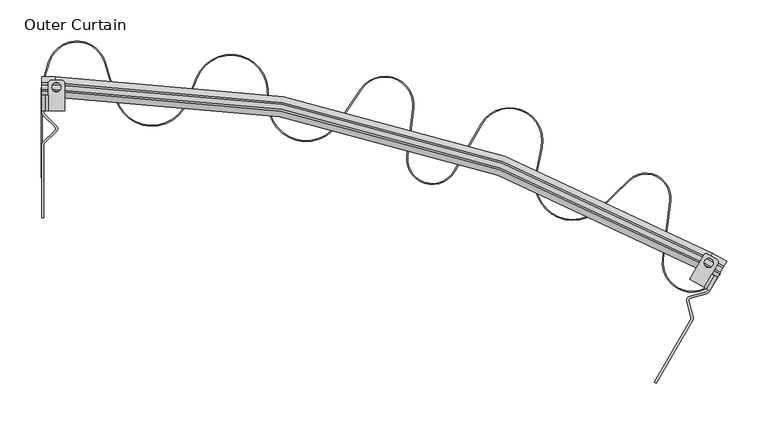
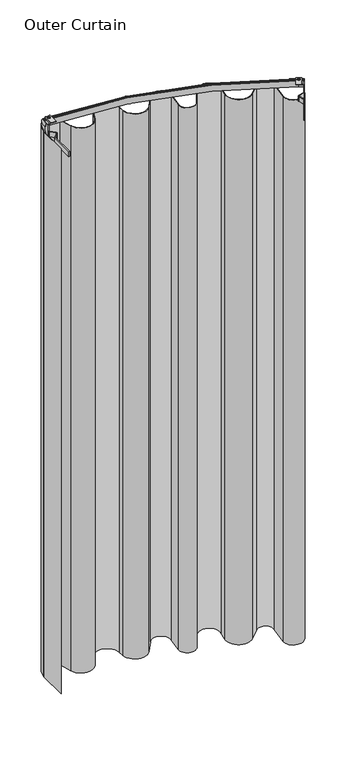
"""IFC4 building model written with IfcOpenShell, lengths in millimetres: furniture geometry, Outer Curtain."""

from ifc_helpers import new_model, si_unit, point, frame, frame_2d, origin, origin_with_axes, place, context, project, spatial, polyline, circle_curve, ellipse_curve, trimmed, segment, composite_curve, outline, extrude, source, transform, mapped, element, save
from ifc_brep_helpers import plane_surface, cylinder_surface, revolved_surface, advanced_brep


def outer_curtain_1a0a207d(model_context):
    return source(origin(), model_context, "Body", "SolidModel", [
        extrude(outline(composite_curve([segment(trimmed(circle_curve(frame_2d((42.5957984, 467.0599801)), 35.0), [point((76.1040809, 477.1691346))], [point((9.0875159, 477.1691346))], True, "CARTESIAN"), True, "CONTINUOUS"), segment(polyline([(9.0875159, 477.1691346), (1.3097895, 451.3887139)]), True, "CONTINUOUS"), segment(trimmed(circle_curve(frame_2d((19.5, 445.9008872)), 19.0), [point((1.3097895, 451.3887139))], [point((0.5, 445.9008872))], True, "CARTESIAN"), True, "CONTINUOUS"), segment(polyline([(0.5, 445.9008872), (0.5, 337.8741988), (-0.5, 337.8741988), (-0.5, 445.9008872)]), True, "CONTINUOUS"), segment(trimmed(circle_curve(frame_2d((19.5, 445.9008872)), 20.0), [point((-0.5, 445.9008872))], [point((0.35241, 451.6775469))], False, "CARTESIAN"), True, "CONTINUOUS"), segment(polyline([(0.35241, 451.6775469), (8.1301364, 477.4579676)]), True, "CONTINUOUS"), segment(trimmed(circle_curve(frame_2d((42.5957984, 467.0599801)), 36.0), [point((8.1301364, 477.4579676))], [point((77.0614604, 477.4579676))], False, "CARTESIAN"), True, "CONTINUOUS"), segment(polyline([(77.0614604, 477.4579676), (90.4160555, 433.1921939)]), True, "CONTINUOUS"), segment(trimmed(circle_curve(frame_2d((133.498133, 446.1896783)), 45.0), [point((90.4160555, 433.1921939))], [point((175.2214064, 429.3323816))], True, "CARTESIAN"), True, "CONTINUOUS"), segment(polyline([(175.2214064, 429.3323816), (187.1951251, 458.9683753)]), True, "CONTINUOUS"), segment(trimmed(circle_curve(frame_2d((228.9183986, 442.1110786)), 45.0), [point((187.1951251, 458.9683753))], [point((273.8509021, 444.5748418))], False, "CARTESIAN"), True, "CONTINUOUS"), segment(polyline([(273.8509021, 444.5748418), (274.9175266, 425.1224404)]), True, "CONTINUOUS"), segment(trimmed(circle_curve(frame_2d((319.8500301, 427.5862037)), 45.0), [point((274.9175266, 425.1224404))], [point((357.1272127, 402.3788304))], True, "CARTESIAN"), True, "CONTINUOUS"), segment(polyline([(357.1272127, 402.3788304), (386.1550371, 445.3057749)]), True, "CONTINUOUS"), segment(trimmed(circle_curve(frame_2d((415.1484012, 425.7000401)), 35.0), [point((386.1550371, 445.3057749))], [point((449.882938, 421.3974875))], False, "CARTESIAN"), True, "CONTINUOUS"), segment(polyline([(449.882938, 421.3974875), (442.8274517, 364.4384983)]), True, "CONTINUOUS"), segment(trimmed(circle_curve(frame_2d((472.5999118, 360.7505961)), 30.0), [point((442.8274517, 364.4384983))], [point((498.5806739, 345.7505961))], True, "CARTESIAN"), True, "CONTINUOUS"), segment(polyline([(498.5806739, 345.7505961), (531.439005, 402.662895)]), True, "CONTINUOUS"), segment(trimmed(circle_curve(frame_2d((566.0800211, 382.662895)), 40.0), [point((531.439005, 402.662895))], [point((605.2774923, 374.6905522))], False, "CARTESIAN"), True, "CONTINUOUS"), segment(polyline([(605.2774923, 374.6905522), (598.4586195, 341.1643256)]), True, "CONTINUOUS"), segment(trimmed(circle_curve(frame_2d((642.5557746, 332.1954399)), 45.0), [point((598.4586195, 341.1643256))], [point((673.833081, 299.8422314))], True, "CARTESIAN"), True, "CONTINUOUS"), segment(polyline([(673.833081, 299.8422314), (710.1607908, 334.9618676)]), True, "CONTINUOUS"), segment(trimmed(circle_curve(frame_2d((731.0123285, 313.3930619)), 30.0), [point((710.1607908, 334.9618676))], [point((760.7847885, 309.7051597))], False, "CARTESIAN"), True, "CONTINUOUS"), segment(polyline([(760.7847885, 309.7051597), (752.0934658, 239.5400517)]), True, "CONTINUOUS"), segment(trimmed(circle_curve(frame_2d((786.8280026, 235.2374991)), 35.0), [point((752.0934658, 239.5400517))], [point((817.1388917, 217.7374991))], True, "CARTESIAN"), True, "CONTINUOUS"), segment(polyline([(817.1388917, 217.7374991), (819.7915966, 222.3321188), (820.657622, 221.8321188), (818.0049171, 217.2374991)]), True, "CONTINUOUS"), segment(trimmed(circle_curve(frame_2d((786.8280026, 235.2374991)), 36.0), [point((818.0049171, 217.2374991))], [point((751.1010505, 239.6629818))], False, "CARTESIAN"), True, "CONTINUOUS"), segment(polyline([(751.1010505, 239.6629818), (759.7923732, 309.8280898)]), True, "CONTINUOUS"), segment(trimmed(circle_curve(frame_2d((731.0123285, 313.3930619)), 29.0), [point((759.7923732, 309.8280898))], [point((710.8558421, 334.2429074))], True, "CARTESIAN"), True, "CONTINUOUS"), segment(polyline([(710.8558421, 334.2429074), (674.5281323, 299.1232712)]), True, "CONTINUOUS"), segment(trimmed(circle_curve(frame_2d((642.5557746, 332.1954399)), 46.0), [point((674.5281323, 299.1232712))], [point((597.4786827, 341.3636342))], False, "CARTESIAN"), True, "CONTINUOUS"), segment(polyline([(597.4786827, 341.3636342), (604.2975556, 374.8898607)]), True, "CONTINUOUS"), segment(trimmed(circle_curve(frame_2d((566.0800211, 382.662895)), 39.0), [point((604.2975556, 374.8898607))], [point((532.3050304, 402.162895))], True, "CARTESIAN"), True, "CONTINUOUS"), segment(polyline([(532.3050304, 402.162895), (499.4466993, 345.2505961)]), True, "CONTINUOUS"), segment(trimmed(circle_curve(frame_2d((472.5999118, 360.7505961)), 31.0), [point((499.4466993, 345.2505961))], [point((441.8350364, 364.5614284))], False, "CARTESIAN"), True, "CONTINUOUS"), segment(polyline([(441.8350364, 364.5614284), (448.8905226, 421.5204176)]), True, "CONTINUOUS"), segment(trimmed(circle_curve(frame_2d((415.1484012, 425.7000401)), 34.0), [point((448.8905226, 421.5204176))], [point((386.9834189, 444.745611))], True, "CARTESIAN"), True, "CONTINUOUS"), segment(polyline([(386.9834189, 444.745611), (357.9555945, 401.8186666)]), True, "CONTINUOUS"), segment(trimmed(circle_curve(frame_2d((319.8500301, 427.5862037)), 46.0), [point((357.9555945, 401.8186666))], [point((273.9190266, 425.0676902))], False, "CARTESIAN"), True, "CONTINUOUS"), segment(polyline([(273.9190266, 425.0676902), (272.852402, 444.5200915)]), True, "CONTINUOUS"), segment(trimmed(circle_curve(frame_2d((228.9183986, 442.1110786)), 44.0), [point((272.852402, 444.5200915))], [point((188.122309, 458.5937687))], True, "CARTESIAN"), True, "CONTINUOUS"), segment(polyline([(188.122309, 458.5937687), (176.1485903, 428.957775)]), True, "CONTINUOUS"), segment(trimmed(circle_curve(frame_2d((133.498133, 446.1896783)), 46.0), [point((176.1485903, 428.957775))], [point((89.458676, 432.9033609))], False, "CARTESIAN"), True, "CONTINUOUS"), segment(polyline([(89.458676, 432.9033609), (76.1040809, 477.1691346)]), True, "CONTINUOUS")], self_intersect=False)), origin_with_axes(), (0.0, 0.0, 1.0), 2097.5013525),
        extrude(outline(composite_curve([segment(polyline([(340.8986475, 0.0), (340.8986475, -5.5297915)]), True, "CONTINUOUS"), segment(trimmed(circle_curve(frame_2d((327.6985931, -5.5297915)), 13.2000544), [point((340.8986475, -5.5297915))], [point((327.6985931, -18.7298459))], False, "CARTESIAN"), True, "CONTINUOUS"), segment(polyline([(327.6985931, -18.7298459), (314.449003, -18.7298459)]), True, "CONTINUOUS"), segment(trimmed(circle_curve(frame_2d((306.6253516, -28.3883996)), 12.4296895), [point((314.449003, -18.7298459))], [point((298.6840186, -18.8263699))], True, "CARTESIAN"), True, "CONTINUOUS"), segment(polyline([(298.6840186, -18.8263699), (298.6840186, 0.0), (340.8986475, 0.0)]), True, "CONTINUOUS")], self_intersect=False)), frame((808.1824004, 201.2243016, 2438.4), z_axis=(-0.8660254041587455, 0.49999999935168166, 0.0), x_axis=(0.0, 0.0, -1.0)), (0.0, 0.0, 1.0), 2.45),
        extrude(outline(composite_curve([segment(trimmed(circle_curve(frame_2d((780.5221736, 168.2153832)), 5.0), [point((784.8523006, 165.7153832))], [point((785.3486237, 169.5212849))], True, "CARTESIAN"), True, "CONTINUOUS"), segment(polyline([(785.3486237, 169.5212849), (780.2499341, 188.3654079)]), True, "CONTINUOUS"), segment(trimmed(circle_curve(frame_2d((785.0763843, 189.6713096)), 5.0), [point((780.2499341, 188.3654079))], [point((783.7705027, 194.4977651))], False, "CARTESIAN"), True, "CONTINUOUS"), segment(polyline([(783.7705027, 194.4977651), (803.7503841, 199.9036698)]), True, "CONTINUOUS"), segment(trimmed(circle_curve(frame_2d((803.0974433, 202.3168976)), 2.5), [point((803.7503841, 199.9036698))], [point((805.2625069, 201.0668976))], True, "CARTESIAN"), True, "CONTINUOUS"), segment(polyline([(805.2625069, 201.0668976), (806.0606382, 202.4493016), (808.1824004, 201.2243016), (807.3945887, 199.8597717)]), True, "CONTINUOUS"), segment(trimmed(circle_curve(frame_2d((803.0644617, 202.3597717)), 5.0), [point((807.3945887, 199.8597717))], [point((804.3703432, 197.5333161))], False, "CARTESIAN"), True, "CONTINUOUS"), segment(polyline([(804.3703432, 197.5333161), (784.3621199, 192.119743)]), True, "CONTINUOUS"), segment(trimmed(circle_curve(frame_2d((785.0150607, 189.7065152)), 2.5), [point((784.3621199, 192.119743))], [point((782.6018356, 189.0535644))], True, "CARTESIAN"), True, "CONTINUOUS"), segment(polyline([(782.6018356, 189.0535644), (787.9795532, 169.1781885)]), True, "CONTINUOUS"), segment(trimmed(circle_curve(frame_2d((783.1531031, 167.8722868)), 5.0), [point((787.9795532, 169.1781885))], [point((787.4832301, 165.3722868))], False, "CARTESIAN"), True, "CONTINUOUS"), segment(polyline([(787.4832301, 165.3722868), (743.4550059, 89.1131655), (741.3332437, 90.3381655), (784.8523006, 165.7153832)]), True, "CONTINUOUS")], self_intersect=False)), frame((0.0, 0.0, 2097.5013525), z_axis=(0.0, 0.0, 1.0), x_axis=(1.0, 0.0, 0.0)), (0.0, 0.0, 1.0), 18.8933106),
        extrude(outline(composite_curve([segment(polyline([(2.45, 0.0), (2.45, -1.5759522)]), True, "CONTINUOUS"), segment(trimmed(circle_curve(frame_2d((-2.2594196, -1.5759522)), 4.7094196), [point((2.45, -1.5759522))], [point((-2.2594196, -6.2853718))], False, "CARTESIAN"), True, "CONTINUOUS"), segment(polyline([(-2.2594196, -6.2853718), (-5.3457178, -6.2853718), (-5.3457178, -3.8354214), (-2.7023301, -3.8354214)]), True, "CONTINUOUS"), segment(trimmed(circle_curve(frame_2d((-2.7023301, -1.1330913)), 2.7023301), [point((-2.7023301, -3.8354214))], [point((0.0, -1.1330913))], True, "CARTESIAN"), True, "CONTINUOUS"), segment(polyline([(0.0, -1.1330913), (0.0, 0.0), (2.45, 0.0)]), True, "CONTINUOUS")], self_intersect=False)), frame((806.0606382, 202.4493016, 2139.7159814), z_axis=(0.4999999993516811, 0.8660254041587457, 0.0), x_axis=(0.8660254041587457, -0.4999999993516811, 0.0)), (0.0, 0.0, 1.0), 18.7298458),
        extrude(outline(composite_curve([segment(polyline([(801.4311108, 205.1221605), (784.1106027, 215.1221605), (800.7342244, 243.915118)]), True, "CONTINUOUS"), segment(trimmed(circle_curve(frame_2d((803.9842234, 242.0387302)), 3.7527756), [point((800.7342244, 243.915118))], [point((805.8502397, 245.2946951))], False, "CARTESIAN"), True, "CONTINUOUS"), segment(polyline([(805.8502397, 245.2946951), (816.3907074, 239.2091533)]), True, "CONTINUOUS"), segment(trimmed(circle_curve(frame_2d((814.816152, 235.8057322)), 3.75), [point((816.3907074, 239.2091533))], [point((818.0637473, 233.9307322))], False, "CARTESIAN"), True, "CONTINUOUS"), segment(polyline([(818.0637473, 233.9307322), (801.4311108, 205.1221605)]), True, "CONTINUOUS")], self_intersect=False), holes=[composite_curve([segment(trimmed(circle_curve(frame_2d((807.0144732, 234.7928281)), 5.4886758), [point((811.7678059, 232.0484902))], [point((802.2611405, 237.537166))], True, "CARTESIAN"), True, "CONTINUOUS"), segment(trimmed(circle_curve(frame_2d((807.0144732, 234.7928281)), 5.4886758), [point((802.2611405, 237.537166))], [point((811.7678059, 232.0484902))], True, "CARTESIAN"), True, "CONTINUOUS")], self_intersect=False)]), frame((0.0, 0.0, 2143.5514028), z_axis=(0.0, 0.0, 1.0), x_axis=(1.0, 0.0, 0.0)), (0.0, 0.0, 1.0), 2.4499504),
        advanced_brep(
        [(0.0, 442.4224847, 2120.279958), (0.0, 442.4224847, 2143.2693388), (0.0, 444.4967404, 2143.2693388), (0.0, 444.4967404, 2141.8304958), (0.0, 450.509432, 2141.8304958), (0.0, 450.509432, 2143.2693388), (0.0, 452.5106226, 2143.2693388), (0.0, 452.5106226, 2120.279958), (16.273869, 442.4224847, 2120.279958), (16.273869, 442.4224847, 2143.2693388), (802.8348362, 231.6641087, 2143.2693388), (820.0263326, 221.7385937, 2143.2693388), (821.0634604, 223.5349518, 2143.2693388), (803.871964, 233.4604668, 2143.2693388), (16.273869, 444.4967404, 2143.2693388), (16.273869, 444.4967404, 2141.8304958), (803.871964, 233.4604668, 2141.8304958), (821.0634604, 223.5349518, 2141.8304958), (824.0698063, 228.7420955, 2141.8304958), (806.8783099, 238.6676106, 2141.8304958), (16.273869, 450.509432, 2141.8304958), (16.273869, 450.509432, 2143.2693388), (806.8783099, 238.6676106, 2143.2693388), (824.0698063, 228.7420955, 2143.2693388), (825.0704015, 230.4751773, 2143.2693388), (807.8789051, 240.4006924, 2143.2693388), (16.273869, 452.5106226, 2143.2693388), (16.273869, 452.5106226, 2120.279958), (807.8789051, 240.4006924, 2120.279958), (825.0704015, 230.4751773, 2120.279958), (820.0263326, 221.7385937, 2120.279958), (802.8348362, 231.6641087, 2120.279958)],
        [
            (0, 1, circle_curve(frame((0.0, 447.9278494, 2131.7746484), z_axis=(-1.0, 0.0, 0.0), x_axis=(0.0, -1.0, 0.0)), 12.7450754)),
            (1, 2),
            (2, 3),
            (3, 4),
            (4, 5),
            (5, 6),
            (6, 7, circle_curve(frame((0.0, 447.1329645, 2131.7746484), z_axis=(-1.0, 0.0, 0.0), x_axis=(0.0, -1.0, 0.0)), 12.6904339)),
            (7, 0),
            (0, 8),
            (8, 9, circle_curve(frame((16.273869, 447.9278494, 2131.7746484), z_axis=(-1.0, 0.0, 0.0), x_axis=(0.0, -1.0, 0.0)), 12.7450754)),
            (9, 1),
            (9, 10, circle_curve(frame((16.273869, -1130.6994497, 2143.2693388), z_axis=(0.0, 0.0, -1.0), x_axis=(0.0, 1.0, 0.0)), 1573.1219344)),
            (10, 11),
            (11, 12),
            (12, 13),
            (13, 14, circle_curve(frame((16.273869, -1130.6994497, 2143.2693388), z_axis=(0.0, 0.0, 1.0), x_axis=(0.0, 1.0, 0.0)), 1575.1961901)),
            (14, 2),
            (14, 15),
            (15, 3),
            (15, 16, circle_curve(frame((16.273869, -1130.6994497, 2141.8304958), z_axis=(0.0, 0.0, -1.0), x_axis=(0.0, 1.0, 0.0)), 1575.1961901)),
            (16, 17),
            (17, 18),
            (18, 19),
            (19, 20, circle_curve(frame((16.273869, -1130.6994497, 2141.8304958), z_axis=(0.0, 0.0, 1.0), x_axis=(0.0, 1.0, 0.0)), 1581.2088818)),
            (20, 4),
            (20, 21),
            (21, 5),
            (21, 22, circle_curve(frame((16.273869, -1130.6994497, 2143.2693388), z_axis=(0.0, 0.0, -1.0), x_axis=(0.0, 1.0, 0.0)), 1581.2088818)),
            (22, 23),
            (23, 24),
            (24, 25),
            (25, 26, circle_curve(frame((16.273869, -1130.6994497, 2143.2693388), z_axis=(0.0, 0.0, 1.0), x_axis=(0.0, 1.0, 0.0)), 1583.2100723)),
            (26, 6),
            (26, 27, circle_curve(frame((16.273869, 447.1329645, 2131.7746484), z_axis=(-1.0, 0.0, 0.0), x_axis=(0.0, -1.0, 0.0)), 12.6904339)),
            (27, 7),
            (27, 28, circle_curve(frame((16.273869, -1130.6994497, 2120.279958), z_axis=(0.0, 0.0, -1.0), x_axis=(0.0, 1.0, 0.0)), 1583.2100723)),
            (28, 29),
            (29, 30),
            (30, 31),
            (31, 8, circle_curve(frame((16.273869, -1130.6994497, 2120.279958), z_axis=(0.0, 0.0, 1.0), x_axis=(0.0, 1.0, 0.0)), 1573.1219344)),
            (31, 10, circle_curve(frame((805.5875185, 236.4318944, 2131.7746484), z_axis=(-0.8660254037844397, 0.4999999999999981, 0.0), x_axis=(-0.4999999999999981, -0.8660254037844397, 0.0)), 12.7450754)),
            (13, 16),
            (19, 22),
            (25, 28, circle_curve(frame((805.1900761, 235.7435039, 2131.7746484), z_axis=(-0.8660254037844397, 0.4999999999999981, 0.0), x_axis=(-0.4999999999999981, -0.8660254037844397, 0.0)), 12.6904339)),
            (29, 24, circle_curve(frame((822.3815725, 225.8179888, 2131.7746484), z_axis=(0.8660254037844363, -0.5000000000000042, 0.0), x_axis=(-0.5000000000000042, -0.8660254037844363, 0.0)), 12.6904339)),
            (23, 18),
            (17, 12),
            (11, 30, circle_curve(frame((822.7790149, 226.5063793, 2131.7746484), z_axis=(0.8660254037844363, -0.5000000000000042, 0.0), x_axis=(-0.5000000000000042, -0.8660254037844363, 0.0)), 12.7450754)),
        ],
        [
            plane_surface(frame((0.0, 447.5030862, 0.0), z_axis=(-1.0, 0.0, 0.0), x_axis=(0.0, 0.0, 1.0))),
            cylinder_surface(frame((0.0, 447.9278494, 2131.7746484), z_axis=(-1.0, 0.0, 0.0), x_axis=(0.0, -1.0, 0.0)), 12.7450754),
            plane_surface(frame((0.0, 442.4224847, 2143.2693388), z_axis=(0.0, 0.0, 1.0), x_axis=(1.0, 0.0, 0.0))),
            plane_surface(frame((0.0, 444.4967404, 2143.2693388), z_axis=(0.0, 1.0, 0.0), x_axis=(1.0, 0.0, 0.0))),
            plane_surface(frame((0.0, 444.4967404, 2141.8304958), z_axis=(0.0, 0.0, 1.0), x_axis=(1.0, 0.0, 0.0))),
            plane_surface(frame((0.0, 450.509432, 2141.8304958), z_axis=(0.0, -1.0, 0.0), x_axis=(1.0, 0.0, 0.0))),
            plane_surface(frame((0.0, 450.509432, 2143.2693388), z_axis=(0.0, 0.0, 1.0), x_axis=(1.0, 0.0, 0.0))),
            cylinder_surface(frame((0.0, 447.1329645, 2131.7746484), z_axis=(-1.0, 0.0, 0.0), x_axis=(0.0, -1.0, 0.0)), 12.6904339),
            plane_surface(frame((0.0, 452.5106226, 2120.279958), z_axis=(0.0, 0.0, -1.0), x_axis=(1.0, 0.0, 0.0))),
            revolved_surface(trimmed(ellipse_curve(frame((16.273869, 447.9278494, 2131.7746484), z_axis=(-1.0, 0.0, 0.0), x_axis=(0.0, -1.0, 0.0)), 12.7450754, 12.7450754), [point((16.273869, 442.4224847, 2120.279958))], [point((16.273869, 442.4224847, 2143.2693388))], True, "CARTESIAN"), (16.273869, -1130.6994497, 0.0), (0.0, 0.0, -1.0)),
            cylinder_surface(frame((16.273869, -1130.6994497, 0.0), z_axis=(0.0, 0.0, -1.0), x_axis=(0.0, 1.0, 0.0)), 1575.1961901),
            revolved_surface(polyline([(16.273869, 450.5094320999999, 2141.8304958), (16.273869, 450.5094320999999, 2143.2693388)]), (16.273869, -1130.6994497, 0.0), (0.0, 0.0, -1.0)),
            revolved_surface(trimmed(ellipse_curve(frame((16.273869, 447.1329645, 2131.7746484), z_axis=(-1.0, 0.0, 0.0), x_axis=(0.0, -1.0, 0.0)), 12.6904339, 12.6904339), [point((16.273869, 452.5106226, 2143.2693388))], [point((16.273869, 452.5106226, 2120.279958))], True, "CARTESIAN"), (16.273869, -1130.6994497, 0.0), (0.0, 0.0, -1.0)),
            plane_surface(frame((822.5666333, 226.1385236, 0.0), z_axis=(0.8660254037844365, -0.5000000000000038, 0.0), x_axis=(0.0, 0.0, 1.0))),
            cylinder_surface(frame((805.5875185, 236.4318944, 2131.7746484), z_axis=(-0.8660254037844363, 0.5000000000000042, 0.0), x_axis=(-0.5000000000000042, -0.8660254037844363, 0.0)), 12.7450754),
            plane_surface(frame((803.871964, 233.4604668, 2143.2693388), z_axis=(0.5000000000000122, 0.8660254037844317, 0.0), x_axis=(0.8660254037844317, -0.5000000000000122, 0.0))),
            plane_surface(frame((806.8783099, 238.6676106, 2141.8304958), z_axis=(-0.49999999999999906, -0.8660254037844393, 0.0), x_axis=(0.8660254037844393, -0.49999999999999906, 0.0))),
            cylinder_surface(frame((805.1900761, 235.7435039, 2131.7746484), z_axis=(-0.8660254037844363, 0.5000000000000042, 0.0), x_axis=(-0.5000000000000042, -0.8660254037844363, 0.0)), 12.6904339),
        ],
        [
            (0, [[1, 2, 3, 4, 5, 6, 7, 8]]),
            (1, [[-1, 9, 10, 11]]),
            (2, [[-2, -11, 12, 13, 14, 15, 16, 17]]),
            (3, [[-3, -17, 18, 19]]),
            (4, [[-4, -19, 20, 21, 22, 23, 24, 25]]),
            (5, [[-5, -25, 26, 27]]),
            (6, [[-6, -27, 28, 29, 30, 31, 32, 33]]),
            (7, [[-7, -33, 34, 35]]),
            (8, [[-8, -35, 36, 37, 38, 39, 40, -9]]),
            (9, [[-12, -10, -40, 41]]),
            (10, [[-20, -18, -16, 42]]),
            (11, [[-28, -26, -24, 43]]),
            (12, [[-36, -34, -32, 44]]),
            (13, [[-38, 45, -30, 46, -22, 47, -14, 48]]),
            (14, [[-41, -39, -48, -13]]),
            (15, [[-42, -15, -47, -21]]),
            (16, [[-43, -23, -46, -29]]),
            (17, [[-44, -31, -45, -37]]),
        ],
    ),
        extrude(outline(composite_curve([segment(polyline([(418.7637019, 2097.5013525), (418.7637019, 2139.7159814), (437.5900717, 2139.7159814)]), True, "CONTINUOUS"), segment(trimmed(circle_curve(frame_2d((447.1521014, 2131.7746484)), 12.4296895), [point((437.5900717, 2139.7159814))], [point((437.4935477, 2123.950997))], True, "CARTESIAN"), True, "CONTINUOUS"), segment(polyline([(437.4935477, 2123.950997), (437.4935477, 2110.7014069)]), True, "CONTINUOUS"), segment(trimmed(circle_curve(frame_2d((424.2934933, 2110.7014069)), 13.2000544), [point((437.4935477, 2110.7014069))], [point((424.2934933, 2097.5013525))], False, "CARTESIAN"), True, "CONTINUOUS"), segment(polyline([(424.2934933, 2097.5013525), (418.7637019, 2097.5013525)]), True, "CONTINUOUS")], self_intersect=False)), frame((0.0, 0.0, 0.0), z_axis=(1.0, 0.0, 0.0), x_axis=(0.0, 1.0, 0.0)), (0.0, 0.0, 1.0), 2.45),
        extrude(outline(composite_curve([segment(polyline([(2.45, 376.3470266), (2.45, 289.3089127), (0.0, 289.3089127), (0.0, 377.3653611)]), True, "CONTINUOUS"), segment(trimmed(circle_curve(frame_2d((5.0, 377.3653611)), 5.0), [point((0.0, 377.3653611))], [point((1.4731224, 380.9095302))], False, "CARTESIAN"), True, "CONTINUOUS"), segment(polyline([(1.4731224, 380.9095302), (16.0680504, 395.4332519)]), True, "CONTINUOUS"), segment(trimmed(circle_curve(frame_2d((14.3046116, 397.2053364)), 2.5), [point((16.0680504, 395.4332519))], [point((16.0766888, 398.9687826))], True, "CARTESIAN"), True, "CONTINUOUS"), segment(polyline([(16.0766888, 398.9687826), (1.4558456, 413.661186)]), True, "CONTINUOUS"), segment(trimmed(circle_curve(frame_2d((5.0, 417.1880784)), 5.0), [point((1.4558456, 413.661186))], [point((0.0, 417.1880784))], False, "CARTESIAN"), True, "CONTINUOUS"), segment(polyline([(0.0, 417.1880784), (0.0, 418.7637019), (2.45, 418.7637019), (2.45, 417.1674392)]), True, "CONTINUOUS"), segment(trimmed(circle_curve(frame_2d((4.95, 417.1674392)), 2.5), [point((2.45, 417.1674392))], [point((3.1779228, 415.403993))], True, "CARTESIAN"), True, "CONTINUOUS"), segment(polyline([(3.1779228, 415.403993), (17.7780554, 400.7324015)]), True, "CONTINUOUS"), segment(trimmed(circle_curve(frame_2d((14.233901, 397.2055092)), 5.0), [point((17.7780554, 400.7324015))], [point((17.7607786, 393.6613401))], False, "CARTESIAN"), True, "CONTINUOUS"), segment(polyline([(17.7607786, 393.6613401), (3.9231224, 379.8911956)]), True, "CONTINUOUS"), segment(trimmed(circle_curve(frame_2d((7.45, 376.3470266)), 5.0), [point((3.9231224, 379.8911956))], [point((2.45, 376.3470266))], True, "CARTESIAN"), True, "CONTINUOUS")], self_intersect=False)), frame((0.0, 0.0, 2097.5013525), z_axis=(0.0, 0.0, 1.0), x_axis=(1.0, 0.0, 0.0)), (0.0, 0.0, 1.0), 18.8933106),
        extrude(outline(composite_curve([segment(polyline([(2139.7159814, 0.0), (2139.7159814, 2.45), (2140.8490727, 2.45)]), True, "CONTINUOUS"), segment(trimmed(circle_curve(frame_2d((2140.8490727, 5.1523301)), 2.7023301), [point((2140.8490727, 2.45))], [point((2143.5514028, 5.1523301))], True, "CARTESIAN"), True, "CONTINUOUS"), segment(polyline([(2143.5514028, 5.1523301), (2143.5514028, 7.7957178), (2146.0013532, 7.7957178), (2146.0013532, 4.7094196)]), True, "CONTINUOUS"), segment(trimmed(circle_curve(frame_2d((2141.2919336, 4.7094196)), 4.7094196), [point((2146.0013532, 4.7094196))], [point((2141.2919336, 0.0))], False, "CARTESIAN"), True, "CONTINUOUS"), segment(polyline([(2141.2919336, 0.0), (2139.7159814, 0.0)]), True, "CONTINUOUS")], self_intersect=False)), frame((0.0, 418.7637019, 0.0), z_axis=(0.0, 1.0, 0.0), x_axis=(0.0, 0.0, 1.0)), (0.0, 0.0, 1.0), 18.7298458),
        extrude(outline(composite_curve([segment(polyline([(7.7957178, 418.7637019), (7.7957178, 452.0289751)]), True, "CONTINUOUS"), segment(trimmed(circle_curve(frame_2d((11.5457178, 452.0289751)), 3.75), [point((7.7957178, 452.0289751))], [point((11.8838235, 455.7637019))], False, "CARTESIAN"), True, "CONTINUOUS"), segment(polyline([(11.8838235, 455.7637019), (24.0549072, 455.7637019)]), True, "CONTINUOUS"), segment(trimmed(circle_curve(frame_2d((24.0429423, 452.0109454)), 3.7527756), [point((24.0549072, 455.7637019))], [point((27.7957178, 452.0109454))], False, "CARTESIAN"), True, "CONTINUOUS"), segment(polyline([(27.7957178, 452.0109454), (27.7957178, 418.7637019), (7.7957178, 418.7637019)]), True, "CONTINUOUS")], self_intersect=False), holes=[composite_curve([segment(trimmed(circle_curve(frame_2d((17.7957178, 447.250935)), 5.4886758), [point((12.307042, 447.250935))], [point((23.2843937, 447.250935))], True, "CARTESIAN"), True, "CONTINUOUS"), segment(trimmed(circle_curve(frame_2d((17.7957178, 447.250935)), 5.4886758), [point((23.2843937, 447.250935))], [point((12.307042, 447.250935))], True, "CARTESIAN"), True, "CONTINUOUS")], self_intersect=False)]), frame((0.0, 0.0, 2143.5514028), z_axis=(0.0, 0.0, 1.0), x_axis=(1.0, 0.0, 0.0)), (0.0, 0.0, 1.0), 2.4499504),
    ])


if __name__ == "__main__":
    model = new_model("IFC4")
    model_context = context("Model", 3, world=origin())
    ifc_project = project(units=[si_unit("LENGTHUNIT", "METRE", prefix="MILLI")], contexts=[model_context])
    site = spatial("IfcSite", under=ifc_project)
    building = spatial("IfcBuilding", under=site)
    placement = place(None, origin())
    outer_curtain_shape = outer_curtain_1a0a207d(model_context)
    element("IfcFurniture", 1, ObjectType="Outer Curtain", at=placement, inside=building, context=model_context, shape_type="MappedRepresentation", body=[
        mapped(outer_curtain_shape, transform((0.0, 0.0, 0.0), x_axis=(1.0, 0.0, 0.0), y_axis=(0.0, 1.0, 0.0), z_axis=(0.0, 0.0, 1.0))),
    ])
    save(model, "model.ifc")
